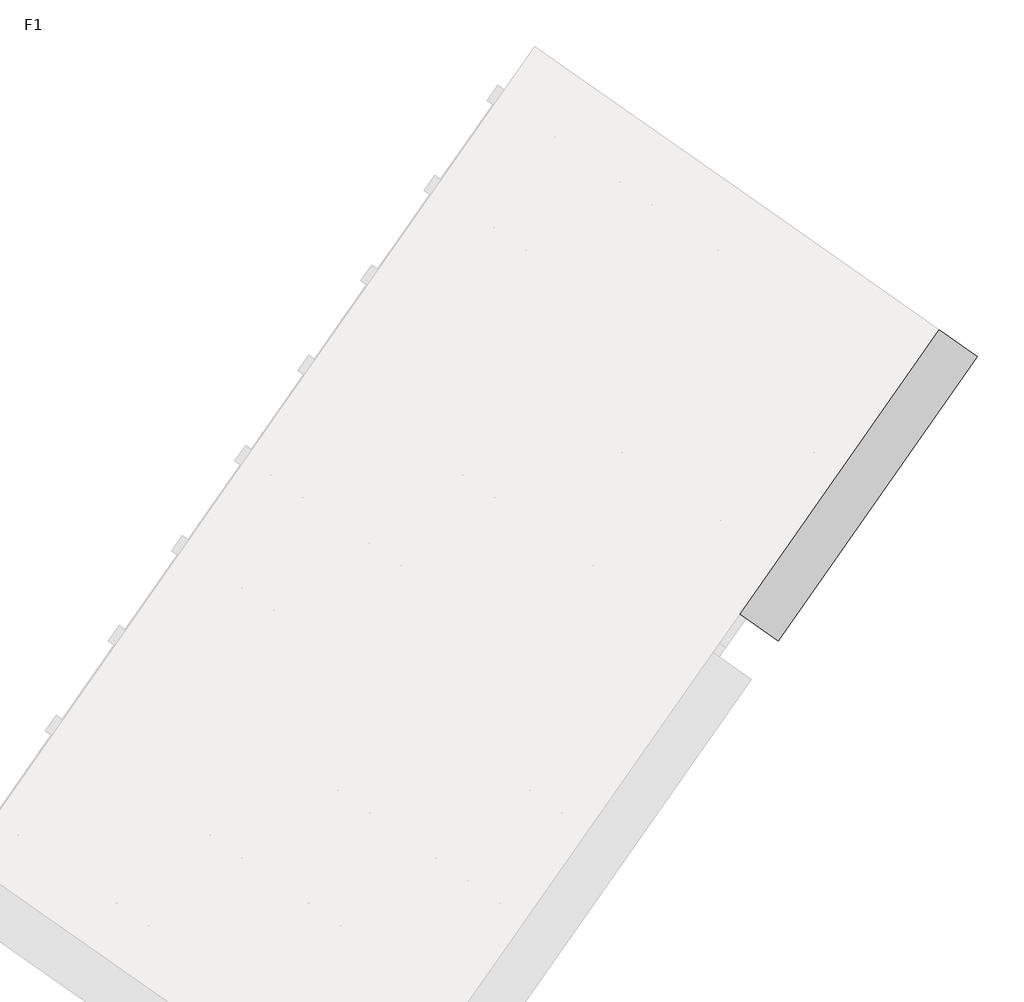
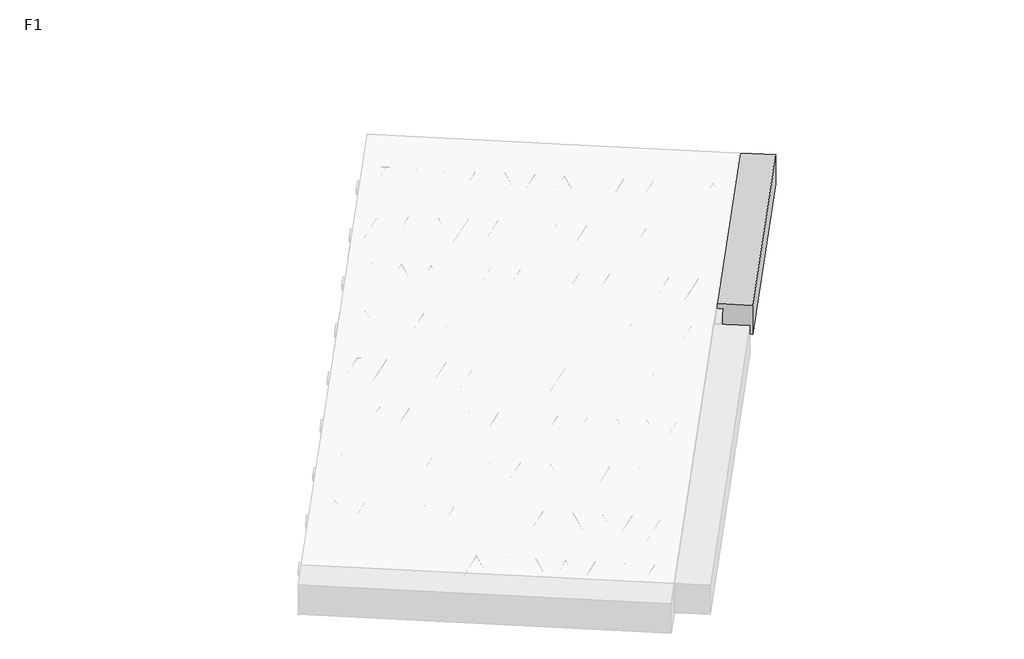
# One storey, part 14 of 30: 2 beams.
"""IFC4 building model written with IfcOpenShell, lengths in millimetres."""

from ifc_helpers import new_model, si_unit, point, frame, origin, origin_2d, place, context, project, spatial, polyline, circle_curve, trimmed, segment, composite_curve, outline, extrude, element, save

model = new_model("IFC4")

# Units and contexts
model_context = context("Model", 3, world=origin())
ifc_project = project(units=[si_unit("LENGTHUNIT", "METRE", prefix="MILLI")], contexts=[model_context])

# Site, building, storey
site = spatial("IfcSite", under=ifc_project)
building = spatial("IfcBuilding", under=site)
storey = spatial("IfcBuildingStorey", under=building, Name="F1", Elevation=99520.0)

# Beams
placement = place(None, origin())
element("IfcBeam", 1, at=placement, inside=storey, context=model_context, shape_type="SweptSolid", body=[
    extrude(outline(polyline([(6830.0256709, -399.5101824), (6898.8548433, -301.2119371), (9552.9074667, -2159.5995909), (9484.0782943, -2257.8978362), (6830.0256709, -399.5101824)])), frame((0.0, 0.0, 99720.0), z_axis=(0.0, 0.0, 1.0), x_axis=(1.0, 0.0, 0.0)), (0.0, 0.0, 1.0), 50.0),
    extrude(outline(composite_curve([segment(trimmed(circle_curve(origin_2d(), 2.5), [point((-2.5, 0.0))], [point((2.4999999, 0.0))], False, "CARTESIAN"), True, "CONTINUOUS"), segment(trimmed(circle_curve(origin_2d(), 2.5), [point((2.4999999, 0.0))], [point((-2.5, 0.0))], False, "CARTESIAN"), True, "CONTINUOUS")], self_intersect=False)), frame((9478.1844798, -2224.4723527, 99745.0), z_axis=(-0.8191520442696126, 0.5735764363787226, 0.0), x_axis=(0.5735764363787226, 0.8191520442696126, 0.0)), (0.0, 0.0, 1.0), 3192.0),
    extrude(outline(composite_curve([segment(trimmed(circle_curve(origin_2d(), 2.5), [point((-2.5, 0.0))], [point((2.5, 0.0))], False, "CARTESIAN"), True, "CONTINUOUS"), segment(trimmed(circle_curve(origin_2d(), 2.5), [point((2.5, 0.0))], [point((-2.5, 0.0))], False, "CARTESIAN"), True, "CONTINUOUS")], self_intersect=False)), frame((9358.7582319, -2096.9013085, 99970.0), z_axis=(-0.8191520442696126, 0.5735764363787226, 0.0), x_axis=(0.5735764363787226, 0.8191520442696126, 0.0)), (0.0, 0.0, 1.0), 2850.0),
    extrude(outline(composite_curve([segment(trimmed(circle_curve(origin_2d(), 2.5), [point((-2.5, 0.0))], [point((2.5, 0.0))], False, "CARTESIAN"), True, "CONTINUOUS"), segment(trimmed(circle_curve(origin_2d(), 2.5), [point((2.5, 0.0))], [point((-2.5, 0.0))], False, "CARTESIAN"), True, "CONTINUOUS")], self_intersect=False)), frame((9399.5458835, -2169.4090148, 99745.0), z_axis=(-0.3145304735701046, 0.38933448886848654, 0.8657304643902053), x_axis=(0.7778747638402499, 0.6284193279813057, 0.0)), (0.0, 0.0, 1.0), 259.8961331),
    extrude(outline(composite_curve([segment(trimmed(circle_curve(origin_2d(), 2.5), [point((2.5, 0.0))], [point((-2.5, 1e-07))], False, "CARTESIAN"), True, "CONTINUOUS"), segment(trimmed(circle_curve(origin_2d(), 2.5), [point((-2.5, 1e-07))], [point((2.5, 0.0))], False, "CARTESIAN"), True, "CONTINUOUS")], self_intersect=False)), frame((9194.7578724, -2026.0149057, 99745.0), z_axis=(0.47343050384693375, -0.16240172737369005, 0.8657304643902051), x_axis=(-0.3244721671091268, -0.9458952440791246, 0.0)), (0.0, 0.0, 1.0), 259.8961331),
    extrude(outline(composite_curve([segment(trimmed(circle_curve(origin_2d(), 2.5), [point((-2.5, 0.0))], [point((2.5, 0.0))], False, "CARTESIAN"), True, "CONTINUOUS"), segment(trimmed(circle_curve(origin_2d(), 2.5), [point((2.5, 0.0))], [point((-2.5, 0.0))], False, "CARTESIAN"), True, "CONTINUOUS")], self_intersect=False)), frame((9194.7578724, -2026.0149057, 99745.0), z_axis=(-0.3145304735701046, 0.38933448886848654, 0.8657304643902053), x_axis=(0.7778747638402499, 0.6284193279813057, 0.0)), (0.0, 0.0, 1.0), 259.8961331),
    extrude(outline(composite_curve([segment(trimmed(circle_curve(origin_2d(), 2.5), [point((2.5, 0.0))], [point((-2.5, 0.0))], False, "CARTESIAN"), True, "CONTINUOUS"), segment(trimmed(circle_curve(origin_2d(), 2.5), [point((-2.5, 0.0))], [point((2.5, 0.0))], False, "CARTESIAN"), True, "CONTINUOUS")], self_intersect=False)), frame((8989.9698614, -1882.6207966, 99745.0), z_axis=(0.47343050384693375, -0.16240172737369005, 0.8657304643902051), x_axis=(-0.3244721671091268, -0.9458952440791246, 0.0)), (0.0, 0.0, 1.0), 259.8961331),
    extrude(outline(composite_curve([segment(trimmed(circle_curve(origin_2d(), 2.5), [point((-2.5, 0.0))], [point((2.5, 0.0))], False, "CARTESIAN"), True, "CONTINUOUS"), segment(trimmed(circle_curve(origin_2d(), 2.5), [point((2.5, 0.0))], [point((-2.5, 0.0))], False, "CARTESIAN"), True, "CONTINUOUS")], self_intersect=False)), frame((8989.9698614, -1882.6207966, 99745.0), z_axis=(-0.3145304735701046, 0.38933448886848654, 0.8657304643902053), x_axis=(0.7778747638402499, 0.6284193279813057, 0.0)), (0.0, 0.0, 1.0), 259.8961331),
    extrude(outline(composite_curve([segment(trimmed(circle_curve(origin_2d(), 2.5), [point((2.5, 0.0))], [point((-2.5, 0.0))], False, "CARTESIAN"), True, "CONTINUOUS"), segment(trimmed(circle_curve(origin_2d(), 2.5), [point((-2.5, 0.0))], [point((2.5, 0.0))], False, "CARTESIAN"), True, "CONTINUOUS")], self_intersect=False)), frame((8785.1818503, -1739.2266875, 99745.0), z_axis=(0.47343050384693375, -0.16240172737369005, 0.8657304643902051), x_axis=(-0.3244721671091268, -0.9458952440791246, 0.0)), (0.0, 0.0, 1.0), 259.8961331),
    extrude(outline(composite_curve([segment(trimmed(circle_curve(origin_2d(), 2.5), [point((-2.5, 0.0))], [point((2.5, 0.0))], False, "CARTESIAN"), True, "CONTINUOUS"), segment(trimmed(circle_curve(origin_2d(), 2.5), [point((2.5, 0.0))], [point((-2.5, 0.0))], False, "CARTESIAN"), True, "CONTINUOUS")], self_intersect=False)), frame((8785.1818503, -1739.2266875, 99745.0), z_axis=(-0.3145304735701046, 0.38933448886848654, 0.8657304643902053), x_axis=(0.7778747638402499, 0.6284193279813057, 0.0)), (0.0, 0.0, 1.0), 259.8961331),
    extrude(outline(composite_curve([segment(trimmed(circle_curve(origin_2d(), 2.5), [point((2.5, 0.0))], [point((-2.5, 1e-07))], False, "CARTESIAN"), True, "CONTINUOUS"), segment(trimmed(circle_curve(origin_2d(), 2.5), [point((-2.5, 1e-07))], [point((2.5, 0.0))], False, "CARTESIAN"), True, "CONTINUOUS")], self_intersect=False)), frame((8580.3938392, -1595.8325784, 99745.0), z_axis=(0.47343050384693375, -0.16240172737369005, 0.8657304643902051), x_axis=(-0.3244721671091268, -0.9458952440791246, 0.0)), (0.0, 0.0, 1.0), 259.8961331),
    extrude(outline(composite_curve([segment(trimmed(circle_curve(origin_2d(), 2.5), [point((-2.5, 0.0))], [point((2.5, 0.0))], False, "CARTESIAN"), True, "CONTINUOUS"), segment(trimmed(circle_curve(origin_2d(), 2.5), [point((2.5, 0.0))], [point((-2.5, 0.0))], False, "CARTESIAN"), True, "CONTINUOUS")], self_intersect=False)), frame((8580.3938392, -1595.8325784, 99745.0), z_axis=(-0.3145304735701046, 0.38933448886848654, 0.8657304643902053), x_axis=(0.7778747638402499, 0.6284193279813057, 0.0)), (0.0, 0.0, 1.0), 259.8961331),
    extrude(outline(composite_curve([segment(trimmed(circle_curve(origin_2d(), 2.5), [point((2.5, -1e-07))], [point((-2.5, 0.0))], False, "CARTESIAN"), True, "CONTINUOUS"), segment(trimmed(circle_curve(origin_2d(), 2.5), [point((-2.5, 0.0))], [point((2.5, -1e-07))], False, "CARTESIAN"), True, "CONTINUOUS")], self_intersect=False)), frame((8375.6058282, -1452.4384693, 99745.0), z_axis=(0.47343050384693375, -0.16240172737369005, 0.8657304643902051), x_axis=(-0.3244721671091268, -0.9458952440791246, 0.0)), (0.0, 0.0, 1.0), 259.8961331),
    extrude(outline(composite_curve([segment(trimmed(circle_curve(origin_2d(), 2.5), [point((-2.5, -1e-07))], [point((2.5, 0.0))], False, "CARTESIAN"), True, "CONTINUOUS"), segment(trimmed(circle_curve(origin_2d(), 2.5), [point((2.5, 0.0))], [point((-2.5, -1e-07))], False, "CARTESIAN"), True, "CONTINUOUS")], self_intersect=False)), frame((8375.6058282, -1452.4384693, 99745.0), z_axis=(-0.3145304735701046, 0.38933448886848654, 0.8657304643902053), x_axis=(0.7778747638402499, 0.6284193279813057, 0.0)), (0.0, 0.0, 1.0), 259.8961331),
    extrude(outline(composite_curve([segment(trimmed(circle_curve(origin_2d(), 2.5), [point((2.5, 0.0))], [point((-2.5, 0.0))], False, "CARTESIAN"), True, "CONTINUOUS"), segment(trimmed(circle_curve(origin_2d(), 2.5), [point((-2.5, 0.0))], [point((2.5, 0.0))], False, "CARTESIAN"), True, "CONTINUOUS")], self_intersect=False)), frame((8170.8178171, -1309.0443602, 99745.0), z_axis=(0.47343050384693375, -0.16240172737369005, 0.8657304643902051), x_axis=(-0.3244721671091268, -0.9458952440791246, 0.0)), (0.0, 0.0, 1.0), 259.8961331),
    extrude(outline(composite_curve([segment(trimmed(circle_curve(origin_2d(), 2.5), [point((-2.5, -1e-07))], [point((2.5, 0.0))], False, "CARTESIAN"), True, "CONTINUOUS"), segment(trimmed(circle_curve(origin_2d(), 2.5), [point((2.5, 0.0))], [point((-2.5, -1e-07))], False, "CARTESIAN"), True, "CONTINUOUS")], self_intersect=False)), frame((8170.8178171, -1309.0443602, 99745.0), z_axis=(-0.3145304735701046, 0.38933448886848654, 0.8657304643902053), x_axis=(0.7778747638402499, 0.6284193279813057, 0.0)), (0.0, 0.0, 1.0), 259.8961331),
    extrude(outline(composite_curve([segment(trimmed(circle_curve(origin_2d(), 2.5), [point((2.5000001, 0.0))], [point((-2.5, 0.0))], False, "CARTESIAN"), True, "CONTINUOUS"), segment(trimmed(circle_curve(origin_2d(), 2.5), [point((-2.5, 0.0))], [point((2.5000001, 0.0))], False, "CARTESIAN"), True, "CONTINUOUS")], self_intersect=False)), frame((7966.029806, -1165.6502511, 99745.0), z_axis=(0.47343050384693375, -0.16240172737369005, 0.8657304643902051), x_axis=(-0.3244721671091268, -0.9458952440791246, 0.0)), (0.0, 0.0, 1.0), 259.8961331),
    extrude(outline(composite_curve([segment(trimmed(circle_curve(origin_2d(), 2.5), [point((-2.5, -1e-07))], [point((2.5, 0.0))], False, "CARTESIAN"), True, "CONTINUOUS"), segment(trimmed(circle_curve(origin_2d(), 2.5), [point((2.5, 0.0))], [point((-2.5, -1e-07))], False, "CARTESIAN"), True, "CONTINUOUS")], self_intersect=False)), frame((7966.029806, -1165.6502511, 99745.0), z_axis=(-0.3145304735701046, 0.38933448886848654, 0.8657304643902053), x_axis=(0.7778747638402499, 0.6284193279813057, 0.0)), (0.0, 0.0, 1.0), 259.8961331),
    extrude(outline(composite_curve([segment(trimmed(circle_curve(origin_2d(), 2.5), [point((2.5000001, 0.0))], [point((-2.5, 0.0))], False, "CARTESIAN"), True, "CONTINUOUS"), segment(trimmed(circle_curve(origin_2d(), 2.5), [point((-2.5, 0.0))], [point((2.5000001, 0.0))], False, "CARTESIAN"), True, "CONTINUOUS")], self_intersect=False)), frame((7761.241795, -1022.256142, 99745.0), z_axis=(0.47343050384693375, -0.16240172737369005, 0.8657304643902051), x_axis=(-0.3244721671091268, -0.9458952440791246, 0.0)), (0.0, 0.0, 1.0), 259.8961331),
    extrude(outline(composite_curve([segment(trimmed(circle_curve(origin_2d(), 2.5), [point((-2.5, -1e-07))], [point((2.5, 0.0))], False, "CARTESIAN"), True, "CONTINUOUS"), segment(trimmed(circle_curve(origin_2d(), 2.5), [point((2.5, 0.0))], [point((-2.5, -1e-07))], False, "CARTESIAN"), True, "CONTINUOUS")], self_intersect=False)), frame((7761.241795, -1022.256142, 99745.0), z_axis=(-0.3145304735701046, 0.38933448886848654, 0.8657304643902053), x_axis=(0.7778747638402499, 0.6284193279813057, 0.0)), (0.0, 0.0, 1.0), 259.8961331),
    extrude(outline(composite_curve([segment(trimmed(circle_curve(origin_2d(), 2.5), [point((2.5, 0.0))], [point((-2.5000001, 0.0))], False, "CARTESIAN"), True, "CONTINUOUS"), segment(trimmed(circle_curve(origin_2d(), 2.5), [point((-2.5000001, 0.0))], [point((2.5, 0.0))], False, "CARTESIAN"), True, "CONTINUOUS")], self_intersect=False)), frame((7556.4537839, -878.862033, 99745.0), z_axis=(0.47343050384693375, -0.16240172737369005, 0.8657304643902051), x_axis=(-0.3244721671091268, -0.9458952440791246, 0.0)), (0.0, 0.0, 1.0), 259.8961331),
    extrude(outline(composite_curve([segment(trimmed(circle_curve(origin_2d(), 2.5), [point((-2.5, 0.0))], [point((2.5, 1e-07))], False, "CARTESIAN"), True, "CONTINUOUS"), segment(trimmed(circle_curve(origin_2d(), 2.5), [point((2.5, 1e-07))], [point((-2.5, 0.0))], False, "CARTESIAN"), True, "CONTINUOUS")], self_intersect=False)), frame((7556.4537839, -878.862033, 99745.0), z_axis=(-0.3145304735701046, 0.38933448886848654, 0.8657304643902053), x_axis=(0.7778747638402499, 0.6284193279813057, 0.0)), (0.0, 0.0, 1.0), 259.8961331),
    extrude(outline(composite_curve([segment(trimmed(circle_curve(origin_2d(), 2.5), [point((2.5, 0.0))], [point((-2.5000001, 0.0))], False, "CARTESIAN"), True, "CONTINUOUS"), segment(trimmed(circle_curve(origin_2d(), 2.5), [point((-2.5000001, 0.0))], [point((2.5, 0.0))], False, "CARTESIAN"), True, "CONTINUOUS")], self_intersect=False)), frame((7351.6657728, -735.4679239, 99745.0), z_axis=(0.47343050384693375, -0.16240172737369005, 0.8657304643902051), x_axis=(-0.3244721671091268, -0.9458952440791246, 0.0)), (0.0, 0.0, 1.0), 259.8961331),
    extrude(outline(composite_curve([segment(trimmed(circle_curve(origin_2d(), 2.5), [point((-2.5, 0.0))], [point((2.5, 1e-07))], False, "CARTESIAN"), True, "CONTINUOUS"), segment(trimmed(circle_curve(origin_2d(), 2.5), [point((2.5, 1e-07))], [point((-2.5, 0.0))], False, "CARTESIAN"), True, "CONTINUOUS")], self_intersect=False)), frame((7351.6657728, -735.4679239, 99745.0), z_axis=(-0.3145304735701046, 0.38933448886848654, 0.8657304643902053), x_axis=(0.7778747638402499, 0.6284193279813057, 0.0)), (0.0, 0.0, 1.0), 259.8961331),
    extrude(outline(composite_curve([segment(trimmed(circle_curve(origin_2d(), 2.5), [point((2.5, -1e-07))], [point((-2.5, 0.0))], False, "CARTESIAN"), True, "CONTINUOUS"), segment(trimmed(circle_curve(origin_2d(), 2.5), [point((-2.5, 0.0))], [point((2.5, -1e-07))], False, "CARTESIAN"), True, "CONTINUOUS")], self_intersect=False)), frame((7146.8777618, -592.0738148, 99745.0), z_axis=(0.47343050384693375, -0.16240172737369005, 0.8657304643902051), x_axis=(-0.3244721671091268, -0.9458952440791246, 0.0)), (0.0, 0.0, 1.0), 259.8961331),
    extrude(outline(composite_curve([segment(trimmed(circle_curve(origin_2d(), 2.5), [point((-2.5, 0.0))], [point((2.5, 1e-07))], False, "CARTESIAN"), True, "CONTINUOUS"), segment(trimmed(circle_curve(origin_2d(), 2.5), [point((2.5, 1e-07))], [point((-2.5, 0.0))], False, "CARTESIAN"), True, "CONTINUOUS")], self_intersect=False)), frame((7146.8777618, -592.0738148, 99745.0), z_axis=(-0.3145304735701046, 0.38933448886848654, 0.8657304643902053), x_axis=(0.7778747638402499, 0.6284193279813057, 0.0)), (0.0, 0.0, 1.0), 259.8961331),
    extrude(outline(composite_curve([segment(trimmed(circle_curve(origin_2d(), 2.5), [point((2.5, 0.0))], [point((-2.5, 0.0))], False, "CARTESIAN"), True, "CONTINUOUS"), segment(trimmed(circle_curve(origin_2d(), 2.5), [point((-2.5, 0.0))], [point((2.5, 0.0))], False, "CARTESIAN"), True, "CONTINUOUS")], self_intersect=False)), frame((6942.0897507, -448.6797057, 99745.0), z_axis=(0.47343050384693375, -0.16240172737369005, 0.8657304643902051), x_axis=(-0.3244721671091268, -0.9458952440791246, 0.0)), (0.0, 0.0, 1.0), 259.8961331),
    extrude(outline(composite_curve([segment(trimmed(circle_curve(origin_2d(), 2.5), [point((-2.5, 0.0))], [point((2.5, 0.0))], False, "CARTESIAN"), True, "CONTINUOUS"), segment(trimmed(circle_curve(origin_2d(), 2.5), [point((2.5, 0.0))], [point((-2.5, 0.0))], False, "CARTESIAN"), True, "CONTINUOUS")], self_intersect=False)), frame((9519.4819832, -2165.4934055, 99745.0), z_axis=(-0.8191520442696126, 0.5735764363787226, 0.0), x_axis=(0.5735764363787226, 0.8191520442696126, 0.0)), (0.0, 0.0, 1.0), 3192.0),
    extrude(outline(composite_curve([segment(trimmed(circle_curve(origin_2d(), 2.5), [point((-2.5, 0.0))], [point((2.5, 0.0))], False, "CARTESIAN"), True, "CONTINUOUS"), segment(trimmed(circle_curve(origin_2d(), 2.5), [point((2.5, 0.0))], [point((-2.5, 0.0))], False, "CARTESIAN"), True, "CONTINUOUS")], self_intersect=False)), frame((9440.8433869, -2110.4300676, 99745.0), z_axis=(-0.47343050384693375, 0.16240172737369005, 0.8657304643902051), x_axis=(0.3244721671091268, 0.9458952440791246, 0.0)), (0.0, 0.0, 1.0), 259.8961331),
    extrude(outline(composite_curve([segment(trimmed(circle_curve(origin_2d(), 2.5), [point((2.5000001, -1e-07))], [point((-2.5, 0.0))], False, "CARTESIAN"), True, "CONTINUOUS"), segment(trimmed(circle_curve(origin_2d(), 2.5), [point((-2.5, 0.0))], [point((2.5000001, -1e-07))], False, "CARTESIAN"), True, "CONTINUOUS")], self_intersect=False)), frame((9236.0553759, -1967.0359585, 99745.0), z_axis=(0.3145304735701046, -0.38933448886848654, 0.8657304643902053), x_axis=(-0.7778747638402499, -0.6284193279813057, 0.0)), (0.0, 0.0, 1.0), 259.8961331),
    extrude(outline(composite_curve([segment(trimmed(circle_curve(origin_2d(), 2.5), [point((-2.5, 1e-07))], [point((2.5, 0.0))], False, "CARTESIAN"), True, "CONTINUOUS"), segment(trimmed(circle_curve(origin_2d(), 2.5), [point((2.5, 0.0))], [point((-2.5, 1e-07))], False, "CARTESIAN"), True, "CONTINUOUS")], self_intersect=False)), frame((9236.0553759, -1967.0359585, 99745.0), z_axis=(-0.47343050384693375, 0.16240172737369005, 0.8657304643902051), x_axis=(0.3244721671091268, 0.9458952440791246, 0.0)), (0.0, 0.0, 1.0), 259.8961331),
    extrude(outline(composite_curve([segment(trimmed(circle_curve(origin_2d(), 2.5), [point((2.5, 0.0))], [point((-2.5, 0.0))], False, "CARTESIAN"), True, "CONTINUOUS"), segment(trimmed(circle_curve(origin_2d(), 2.5), [point((-2.5, 0.0))], [point((2.5, 0.0))], False, "CARTESIAN"), True, "CONTINUOUS")], self_intersect=False)), frame((9031.2673648, -1823.6418494, 99745.0), z_axis=(0.3145304735701046, -0.38933448886848654, 0.8657304643902053), x_axis=(-0.7778747638402499, -0.6284193279813057, 0.0)), (0.0, 0.0, 1.0), 259.8961331),
    extrude(outline(composite_curve([segment(trimmed(circle_curve(origin_2d(), 2.5), [point((-2.5, 0.0))], [point((2.5, 0.0))], False, "CARTESIAN"), True, "CONTINUOUS"), segment(trimmed(circle_curve(origin_2d(), 2.5), [point((2.5, 0.0))], [point((-2.5, 0.0))], False, "CARTESIAN"), True, "CONTINUOUS")], self_intersect=False)), frame((9031.2673648, -1823.6418494, 99745.0), z_axis=(-0.47343050384693375, 0.16240172737369005, 0.8657304643902051), x_axis=(0.3244721671091268, 0.9458952440791246, 0.0)), (0.0, 0.0, 1.0), 259.8961331),
    extrude(outline(composite_curve([segment(trimmed(circle_curve(origin_2d(), 2.5), [point((2.5, 1e-07))], [point((-2.5, 0.0))], False, "CARTESIAN"), True, "CONTINUOUS"), segment(trimmed(circle_curve(origin_2d(), 2.5), [point((-2.5, 0.0))], [point((2.5, 1e-07))], False, "CARTESIAN"), True, "CONTINUOUS")], self_intersect=False)), frame((8826.4793537, -1680.2477403, 99745.0), z_axis=(0.3145304735701046, -0.38933448886848654, 0.8657304643902053), x_axis=(-0.7778747638402499, -0.6284193279813057, 0.0)), (0.0, 0.0, 1.0), 259.8961331),
    extrude(outline(composite_curve([segment(trimmed(circle_curve(origin_2d(), 2.5), [point((-2.5, 0.0))], [point((2.5, 0.0))], False, "CARTESIAN"), True, "CONTINUOUS"), segment(trimmed(circle_curve(origin_2d(), 2.5), [point((2.5, 0.0))], [point((-2.5, 0.0))], False, "CARTESIAN"), True, "CONTINUOUS")], self_intersect=False)), frame((8826.4793537, -1680.2477403, 99745.0), z_axis=(-0.47343050384693375, 0.16240172737369005, 0.8657304643902051), x_axis=(0.3244721671091268, 0.9458952440791246, 0.0)), (0.0, 0.0, 1.0), 259.8961331),
    extrude(outline(composite_curve([segment(trimmed(circle_curve(origin_2d(), 2.5), [point((2.5000001, 0.0))], [point((-2.5, 0.0))], False, "CARTESIAN"), True, "CONTINUOUS"), segment(trimmed(circle_curve(origin_2d(), 2.5), [point((-2.5, 0.0))], [point((2.5000001, 0.0))], False, "CARTESIAN"), True, "CONTINUOUS")], self_intersect=False)), frame((8621.6913427, -1536.8536312, 99745.0), z_axis=(0.3145304735701046, -0.38933448886848654, 0.8657304643902053), x_axis=(-0.7778747638402499, -0.6284193279813057, 0.0)), (0.0, 0.0, 1.0), 259.8961331),
    extrude(outline(composite_curve([segment(trimmed(circle_curve(origin_2d(), 2.5), [point((-2.5, 1e-07))], [point((2.5, 0.0))], False, "CARTESIAN"), True, "CONTINUOUS"), segment(trimmed(circle_curve(origin_2d(), 2.5), [point((2.5, 0.0))], [point((-2.5, 1e-07))], False, "CARTESIAN"), True, "CONTINUOUS")], self_intersect=False)), frame((8621.6913427, -1536.8536312, 99745.0), z_axis=(-0.47343050384693375, 0.16240172737369005, 0.8657304643902051), x_axis=(0.3244721671091268, 0.9458952440791246, 0.0)), (0.0, 0.0, 1.0), 259.8961331),
    extrude(outline(composite_curve([segment(trimmed(circle_curve(origin_2d(), 2.5), [point((2.5, 1e-07))], [point((-2.5, 0.0))], False, "CARTESIAN"), True, "CONTINUOUS"), segment(trimmed(circle_curve(origin_2d(), 2.5), [point((-2.5, 0.0))], [point((2.5, 1e-07))], False, "CARTESIAN"), True, "CONTINUOUS")], self_intersect=False)), frame((8416.9033316, -1393.4595221, 99745.0), z_axis=(0.3145304735701046, -0.38933448886848654, 0.8657304643902053), x_axis=(-0.7778747638402499, -0.6284193279813057, 0.0)), (0.0, 0.0, 1.0), 259.8961331),
    extrude(outline(composite_curve([segment(trimmed(circle_curve(origin_2d(), 2.5), [point((-2.5000001, 0.0))], [point((2.5, 0.0))], False, "CARTESIAN"), True, "CONTINUOUS"), segment(trimmed(circle_curve(origin_2d(), 2.5), [point((2.5, 0.0))], [point((-2.5000001, 0.0))], False, "CARTESIAN"), True, "CONTINUOUS")], self_intersect=False)), frame((8416.9033316, -1393.4595221, 99745.0), z_axis=(-0.47343050384693375, 0.16240172737369005, 0.8657304643902051), x_axis=(0.3244721671091268, 0.9458952440791246, 0.0)), (0.0, 0.0, 1.0), 259.8961331),
    extrude(outline(composite_curve([segment(trimmed(circle_curve(origin_2d(), 2.5), [point((2.5, 0.0))], [point((-2.5, -1e-07))], False, "CARTESIAN"), True, "CONTINUOUS"), segment(trimmed(circle_curve(origin_2d(), 2.5), [point((-2.5, -1e-07))], [point((2.5, 0.0))], False, "CARTESIAN"), True, "CONTINUOUS")], self_intersect=False)), frame((8212.1153205, -1250.0654131, 99745.0), z_axis=(0.3145304735701046, -0.38933448886848654, 0.8657304643902053), x_axis=(-0.7778747638402499, -0.6284193279813057, 0.0)), (0.0, 0.0, 1.0), 259.8961331),
    extrude(outline(composite_curve([segment(trimmed(circle_curve(origin_2d(), 2.5), [point((-2.5000001, 0.0))], [point((2.5, 0.0))], False, "CARTESIAN"), True, "CONTINUOUS"), segment(trimmed(circle_curve(origin_2d(), 2.5), [point((2.5, 0.0))], [point((-2.5000001, 0.0))], False, "CARTESIAN"), True, "CONTINUOUS")], self_intersect=False)), frame((8212.1153205, -1250.065413, 99745.0), z_axis=(-0.47343050384693375, 0.16240172737369005, 0.8657304643902051), x_axis=(0.3244721671091268, 0.9458952440791246, 0.0)), (0.0, 0.0, 1.0), 259.8961331),
    extrude(outline(composite_curve([segment(trimmed(circle_curve(origin_2d(), 2.5), [point((2.5000001, -1e-07))], [point((-2.5, -1e-07))], False, "CARTESIAN"), True, "CONTINUOUS"), segment(trimmed(circle_curve(origin_2d(), 2.5), [point((-2.5, -1e-07))], [point((2.5000001, -1e-07))], False, "CARTESIAN"), True, "CONTINUOUS")], self_intersect=False)), frame((8007.3273095, -1106.671304, 99745.0), z_axis=(0.3145304735701046, -0.38933448886848654, 0.8657304643902053), x_axis=(-0.7778747638402499, -0.6284193279813057, 0.0)), (0.0, 0.0, 1.0), 259.8961331),
    extrude(outline(composite_curve([segment(trimmed(circle_curve(origin_2d(), 2.5), [point((-2.5, 0.0))], [point((2.5000001, 0.0))], False, "CARTESIAN"), True, "CONTINUOUS"), segment(trimmed(circle_curve(origin_2d(), 2.5), [point((2.5000001, 0.0))], [point((-2.5, 0.0))], False, "CARTESIAN"), True, "CONTINUOUS")], self_intersect=False)), frame((8007.3273094, -1106.671304, 99745.0), z_axis=(-0.47343050384693375, 0.16240172737369005, 0.8657304643902051), x_axis=(0.3244721671091268, 0.9458952440791246, 0.0)), (0.0, 0.0, 1.0), 259.8961331),
    extrude(outline(composite_curve([segment(trimmed(circle_curve(origin_2d(), 2.5), [point((2.5, 0.0))], [point((-2.5, -1e-07))], False, "CARTESIAN"), True, "CONTINUOUS"), segment(trimmed(circle_curve(origin_2d(), 2.5), [point((-2.5, -1e-07))], [point((2.5, 0.0))], False, "CARTESIAN"), True, "CONTINUOUS")], self_intersect=False)), frame((7802.5392984, -963.2771949, 99745.0), z_axis=(0.3145304735701046, -0.38933448886848654, 0.8657304643902053), x_axis=(-0.7778747638402499, -0.6284193279813057, 0.0)), (0.0, 0.0, 1.0), 259.8961331),
    extrude(outline(composite_curve([segment(trimmed(circle_curve(origin_2d(), 2.5), [point((-2.5, 0.0))], [point((2.5000001, 0.0))], False, "CARTESIAN"), True, "CONTINUOUS"), segment(trimmed(circle_curve(origin_2d(), 2.5), [point((2.5000001, 0.0))], [point((-2.5, 0.0))], False, "CARTESIAN"), True, "CONTINUOUS")], self_intersect=False)), frame((7802.5392984, -963.2771949, 99745.0), z_axis=(-0.47343050384693375, 0.16240172737369005, 0.8657304643902051), x_axis=(0.3244721671091268, 0.9458952440791246, 0.0)), (0.0, 0.0, 1.0), 259.8961331),
    extrude(outline(composite_curve([segment(trimmed(circle_curve(origin_2d(), 2.5), [point((2.5, 0.0))], [point((-2.5, -1e-07))], False, "CARTESIAN"), True, "CONTINUOUS"), segment(trimmed(circle_curve(origin_2d(), 2.5), [point((-2.5, -1e-07))], [point((2.5, 0.0))], False, "CARTESIAN"), True, "CONTINUOUS")], self_intersect=False)), frame((7597.7512873, -819.8830858, 99745.0), z_axis=(0.3145304735701046, -0.38933448886848654, 0.8657304643902053), x_axis=(-0.7778747638402499, -0.6284193279813057, 0.0)), (0.0, 0.0, 1.0), 259.8961331),
    extrude(outline(composite_curve([segment(trimmed(circle_curve(origin_2d(), 2.5), [point((-2.5, 0.0))], [point((2.5, 0.0))], False, "CARTESIAN"), True, "CONTINUOUS"), segment(trimmed(circle_curve(origin_2d(), 2.5), [point((2.5, 0.0))], [point((-2.5, 0.0))], False, "CARTESIAN"), True, "CONTINUOUS")], self_intersect=False)), frame((7597.7512873, -819.8830858, 99745.0), z_axis=(-0.47343050384693375, 0.16240172737369005, 0.8657304643902051), x_axis=(0.3244721671091268, 0.9458952440791246, 0.0)), (0.0, 0.0, 1.0), 259.8961331),
    extrude(outline(composite_curve([segment(trimmed(circle_curve(origin_2d(), 2.5), [point((2.5, 0.0))], [point((-2.5000001, 1e-07))], False, "CARTESIAN"), True, "CONTINUOUS"), segment(trimmed(circle_curve(origin_2d(), 2.5), [point((-2.5000001, 1e-07))], [point((2.5, 0.0))], False, "CARTESIAN"), True, "CONTINUOUS")], self_intersect=False)), frame((7392.9632762, -676.4889767, 99745.0), z_axis=(0.3145304735701046, -0.38933448886848654, 0.8657304643902053), x_axis=(-0.7778747638402499, -0.6284193279813057, 0.0)), (0.0, 0.0, 1.0), 259.8961331),
    extrude(outline(composite_curve([segment(trimmed(circle_curve(origin_2d(), 2.5), [point((-2.5, 0.0))], [point((2.5, -1e-07))], False, "CARTESIAN"), True, "CONTINUOUS"), segment(trimmed(circle_curve(origin_2d(), 2.5), [point((2.5, -1e-07))], [point((-2.5, 0.0))], False, "CARTESIAN"), True, "CONTINUOUS")], self_intersect=False)), frame((7392.9632762, -676.4889767, 99745.0), z_axis=(-0.47343050384693375, 0.16240172737369005, 0.8657304643902051), x_axis=(0.3244721671091268, 0.9458952440791246, 0.0)), (0.0, 0.0, 1.0), 259.8961331),
    extrude(outline(composite_curve([segment(trimmed(circle_curve(origin_2d(), 2.5), [point((2.5, 0.0))], [point((-2.5, 0.0))], False, "CARTESIAN"), True, "CONTINUOUS"), segment(trimmed(circle_curve(origin_2d(), 2.5), [point((-2.5, 0.0))], [point((2.5, 0.0))], False, "CARTESIAN"), True, "CONTINUOUS")], self_intersect=False)), frame((7188.1752652, -533.0948676, 99745.0), z_axis=(0.3145304735701046, -0.38933448886848654, 0.8657304643902053), x_axis=(-0.7778747638402499, -0.6284193279813057, 0.0)), (0.0, 0.0, 1.0), 259.8961331),
    extrude(outline(composite_curve([segment(trimmed(circle_curve(origin_2d(), 2.5), [point((-2.5, 0.0))], [point((2.5, 0.0))], False, "CARTESIAN"), True, "CONTINUOUS"), segment(trimmed(circle_curve(origin_2d(), 2.5), [point((2.5, 0.0))], [point((-2.5, 0.0))], False, "CARTESIAN"), True, "CONTINUOUS")], self_intersect=False)), frame((7188.1752652, -533.0948676, 99745.0), z_axis=(-0.47343050384693375, 0.16240172737369005, 0.8657304643902051), x_axis=(0.3244721671091268, 0.9458952440791246, 0.0)), (0.0, 0.0, 1.0), 259.8961331),
    extrude(outline(composite_curve([segment(trimmed(circle_curve(origin_2d(), 2.5), [point((2.5, 0.0))], [point((-2.5, 0.0))], False, "CARTESIAN"), True, "CONTINUOUS"), segment(trimmed(circle_curve(origin_2d(), 2.5), [point((-2.5, 0.0))], [point((2.5, 0.0))], False, "CARTESIAN"), True, "CONTINUOUS")], self_intersect=False)), frame((6983.3872541, -389.7007585, 99745.0), z_axis=(0.3145304735701046, -0.38933448886848654, 0.8657304643902053), x_axis=(-0.7778747638402499, -0.6284193279813057, 0.0)), (0.0, 0.0, 1.0), 259.8961331),
])
element("IfcBeam", 2, at=placement, inside=storey, context=model_context, shape_type="SweptSolid", body=[
    extrude(outline(polyline([(10506.5312216, -710.5113865), (10752.2768349, -882.5843174), (9484.6546937, -2692.9363515), (9238.9090804, -2520.8634206), (10506.5312216, -710.5113865)])), frame((0.0, 0.0, 99720.0), z_axis=(0.0, 0.0, 1.0), x_axis=(1.0, 0.0, 0.0)), (0.0, 0.0, 1.0), 300.0),
])

save(model, "model.ifc")
